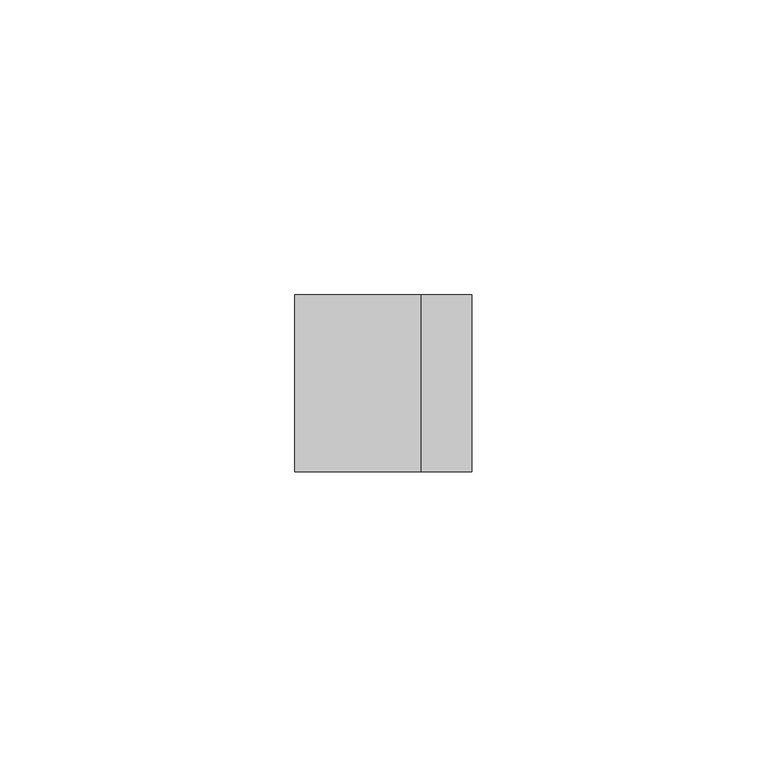
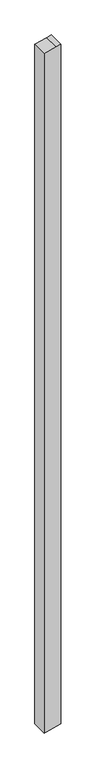
"""IFC4 building model written with IfcOpenShell, lengths in millimetres: member geometry."""

from ifc_helpers import new_model, si_unit, frame, origin, place, context, project, spatial, polyline, outline, extrude, source, transform, mapped, element, save


def member_c27042dc(model_context):
    return source(origin(), model_context, "Body", "SweptSolid", [
        extrude(outline(polyline([(3.1373334, 15.0), (0.8518543, 6.4704761), (-4.9011424, -15.0), (-1324.7059849, -15.0), (-1324.1048931, -12.7137556), (-1316.8184846, 15.0), (3.1373334, 15.0)])), frame((0.0, -15.0, 0.0), z_axis=(0.0, 1.0, 0.0), x_axis=(0.0, 0.0, 1.0)), (0.0, 0.0, 1.0), 30.0),
    ])


if __name__ == "__main__":
    model = new_model("IFC4")
    model_context = context("Model", 3, world=origin())
    ifc_project = project(units=[si_unit("LENGTHUNIT", "METRE", prefix="MILLI")], contexts=[model_context])
    site = spatial("IfcSite", under=ifc_project)
    building = spatial("IfcBuilding", under=site)
    placement = place(None, origin())
    member_shape = member_c27042dc(model_context)
    element("IfcMember", 1, at=placement, inside=building, context=model_context, shape_type="MappedRepresentation", body=[
        mapped(member_shape, transform((0.0, 0.0, 0.0), x_axis=(1.0, 0.0, 0.0), y_axis=(0.0, 1.0, 0.0), z_axis=(0.0, 0.0, 1.0))),
    ])
    save(model, "model.ifc")
